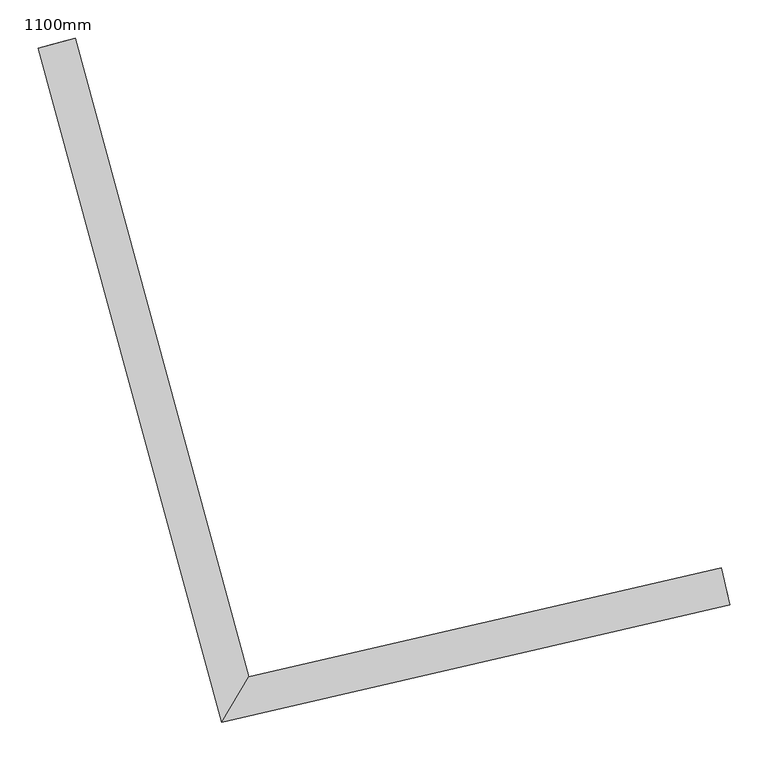
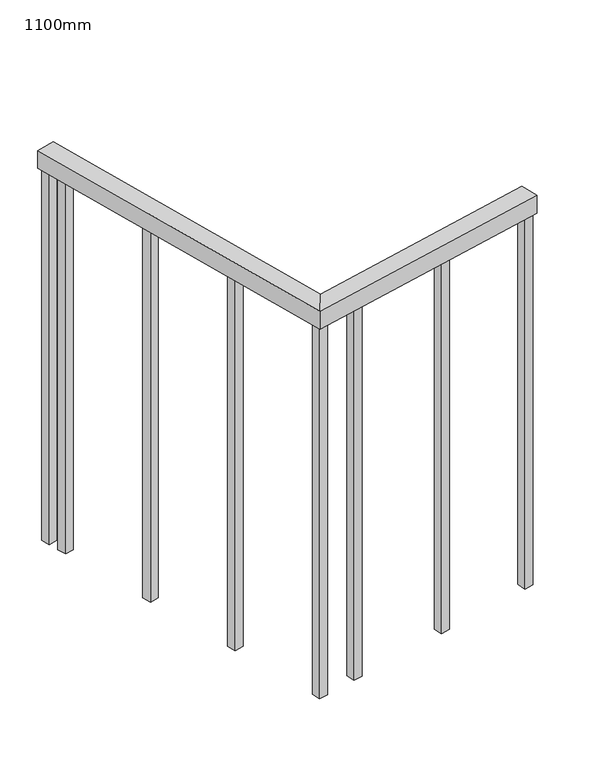
"""IFC4 building model written with IfcOpenShell, lengths in millimetres: railing geometry, 1100mm."""

from ifc_helpers import new_model, si_unit, frame, origin, place, context, project, spatial, polyline, outline, extrude, faceted_brep, source, transform, mapped, element, save


def railing_1100mm_ed5620d4(model_context):
    return source(origin(), model_context, "Body", "SolidModel", [
        faceted_brep([(190813.4527472, 79774.9440425, 1700.0), (190824.7002999, 79726.2255393, 1700.0), (190824.7002999, 79726.2255393, 1650.0), (190813.4527472, 79774.9440425, 1650.0), (190195.3060021, 79632.2336216, 1700.0), (190159.6755367, 79572.6924751, 1700.0), (190159.6755367, 79572.6924751, 1650.0), (190195.3060021, 79632.2336216, 1650.0), (189968.0093132, 80468.4830813, 1700.0), (189968.0093132, 80468.4830813, 1650.0), (189919.7598426, 80455.3686394, 1650.0), (189919.7598426, 80455.3686394, 1700.0)], [[[0, 1, 2, 3]], [[1, 0, 4, 5]], [[2, 1, 5, 6]], [[3, 2, 6, 7]], [[0, 3, 7, 4]], [[8, 9, 10, 11]], [[5, 4, 8, 11]], [[6, 5, 11, 10]], [[7, 6, 10, 9]], [[4, 7, 9, 8]]]),
        extrude(outline(polyline([(189976.443457, 80389.7955564), (189952.3187216, 80383.2383355), (189945.7615007, 80407.3630708), (189969.886236, 80413.9202917), (189976.443457, 80389.7955564)])), frame((0.0, 0.0, 600.0), z_axis=(0.0, 0.0, 1.0), x_axis=(1.0, 0.0, 0.0)), (0.0, 0.0, 1.0), 1050.0),
        extrude(outline(polyline([(190048.5728871, 80124.423468), (190024.4481518, 80117.8662471), (190017.8909309, 80141.9909824), (190042.0156662, 80148.5482033), (190048.5728871, 80124.423468)])), frame((0.0, 0.0, 600.0), z_axis=(0.0, 0.0, 1.0), x_axis=(1.0, 0.0, 0.0)), (0.0, 0.0, 1.0), 1050.0),
        extrude(outline(polyline([(190120.7023173, 79859.0513796), (190096.577582, 79852.4941587), (190090.0203611, 79876.618894), (190114.1450964, 79883.1761149), (190120.7023173, 79859.0513796)])), frame((0.0, 0.0, 600.0), z_axis=(0.0, 0.0, 1.0), x_axis=(1.0, 0.0, 0.0)), (0.0, 0.0, 1.0), 1050.0),
        extrude(outline(polyline([(190292.5407256, 79641.853225), (190298.1645019, 79617.4939734), (190273.8052503, 79611.870197), (190268.1814739, 79636.2294486), (190292.5407256, 79641.853225)])), frame((0.0, 0.0, 600.0), z_axis=(0.0, 0.0, 1.0), x_axis=(1.0, 0.0, 0.0)), (0.0, 0.0, 1.0), 1050.0),
        extrude(outline(polyline([(190560.4924934, 79703.7147649), (190566.1162697, 79679.3555133), (190541.7570181, 79673.731737), (190536.1332418, 79698.0909886), (190560.4924934, 79703.7147649)])), frame((0.0, 0.0, 600.0), z_axis=(0.0, 0.0, 1.0), x_axis=(1.0, 0.0, 0.0)), (0.0, 0.0, 1.0), 1050.0),
        extrude(outline(polyline([(190186.858507, 79617.4545624), (190192.4822834, 79593.0953107), (190168.1230318, 79587.4715344), (190162.4992554, 79611.830786), (190186.858507, 79617.4545624)])), frame((0.0, 0.0, 600.0), z_axis=(0.0, 0.0, 1.0), x_axis=(1.0, 0.0, 0.0)), (0.0, 0.0, 1.0), 1050.0),
        extrude(outline(polyline([(189962.5041665, 80441.0797355), (189938.3794312, 80434.5225146), (189931.8222103, 80458.6472499), (189955.9469456, 80465.2044708), (189962.5041665, 80441.0797355)])), frame((0.0, 0.0, 600.0), z_axis=(0.0, 0.0, 1.0), x_axis=(1.0, 0.0, 0.0)), (0.0, 0.0, 1.0), 1050.0),
        extrude(outline(polyline([(190816.2646354, 79762.7644167), (190821.8884117, 79738.4051651), (190797.5291601, 79732.7813887), (190791.9053838, 79757.1406403), (190816.2646354, 79762.7644167)])), frame((0.0, 0.0, 600.0), z_axis=(0.0, 0.0, 1.0), x_axis=(1.0, 0.0, 0.0)), (0.0, 0.0, 1.0), 1050.0),
    ])


if __name__ == "__main__":
    model = new_model("IFC4")
    model_context = context("Model", 3, world=origin())
    ifc_project = project(units=[si_unit("LENGTHUNIT", "METRE", prefix="MILLI")], contexts=[model_context])
    site = spatial("IfcSite", under=ifc_project)
    building = spatial("IfcBuilding", under=site)
    placement = place(None, origin())
    railing_1100mm_shape = railing_1100mm_ed5620d4(model_context)
    element("IfcRailing", 1, ObjectType="1100mm", at=placement, inside=building, context=model_context, shape_type="MappedRepresentation", body=[
        mapped(railing_1100mm_shape, transform((0.0, 0.0, 0.0), x_axis=(1.0, 0.0, 0.0), y_axis=(0.0, 1.0, 0.0), z_axis=(0.0, 0.0, 1.0))),
    ])
    save(model, "model.ifc")
